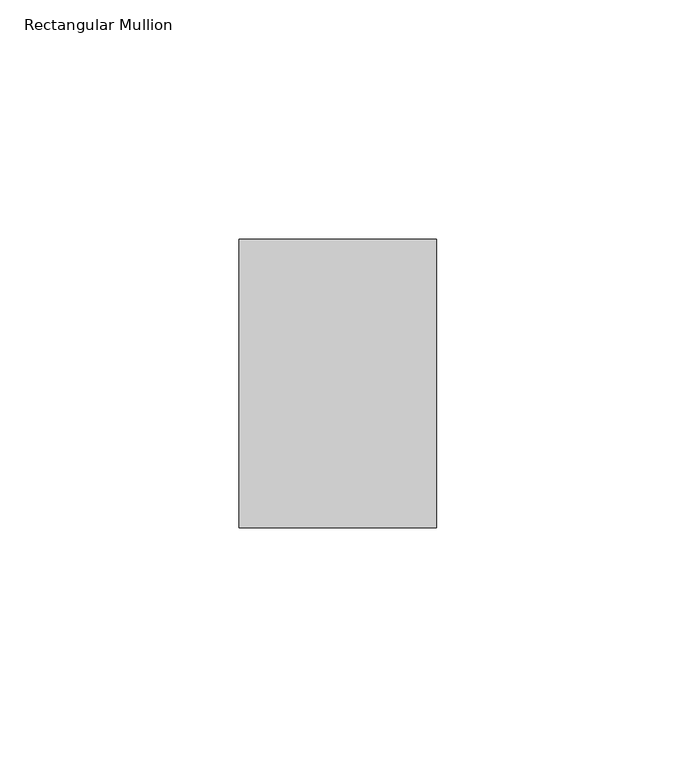
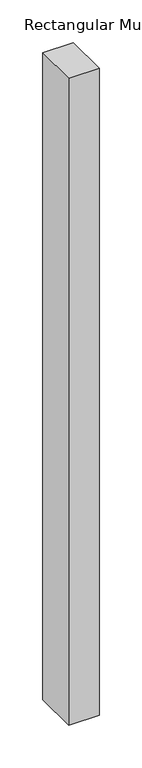
"""IFC4 building model written with IfcOpenShell, lengths in millimetres: member geometry, Rectangular Mullion."""

from ifc_helpers import new_model, si_unit, frame, origin, place, context, project, spatial, polyline, outline, extrude, source, transform, mapped, element, save


def rectangular_mullion_d047d9b9(model_context):
    return source(origin(), model_context, "Body", "SweptSolid", [
        extrude(outline(polyline([(0.0, -50.8), (-41.275, -50.8), (-41.275, 9.525), (0.0, 9.525), (0.0, -50.8)])), frame((0.0, 0.0, -923.925), z_axis=(0.0, 0.0, 1.0), x_axis=(1.0, 0.0, 0.0)), (0.0, 0.0, 1.0), 923.925),
    ])


if __name__ == "__main__":
    model = new_model("IFC4")
    model_context = context("Model", 3, world=origin())
    ifc_project = project(units=[si_unit("LENGTHUNIT", "METRE", prefix="MILLI")], contexts=[model_context])
    site = spatial("IfcSite", under=ifc_project)
    building = spatial("IfcBuilding", under=site)
    placement = place(None, origin())
    rectangular_mullion_shape = rectangular_mullion_d047d9b9(model_context)
    element("IfcMember", 1, ObjectType="Rectangular Mullion", at=placement, inside=building, context=model_context, shape_type="MappedRepresentation", body=[
        mapped(rectangular_mullion_shape, transform((0.0, 0.0, 0.0), x_axis=(1.0, 0.0, 0.0), y_axis=(0.0, 1.0, 0.0), z_axis=(0.0, 0.0, 1.0))),
    ])
    save(model, "model.ifc")
